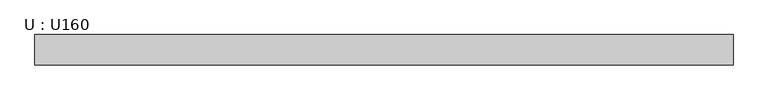
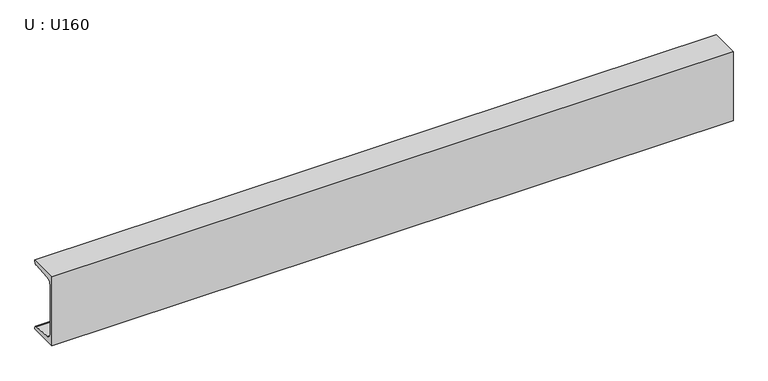
"""IFC4 building model written with IfcOpenShell, lengths in millimetres: beam geometry, U : U160."""

from ifc_helpers import new_model, si_unit, point, frame, frame_2d, origin, place, context, project, spatial, polyline, circle_curve, trimmed, segment, composite_curve, outline, extrude, source, transform, mapped, element, save


def u_u160_80fca57e(model_context):
    return source(origin(), model_context, "Body", "SweptSolid", [
        extrude(outline(composite_curve([segment(polyline([(-18.4, 80.0), (46.6, 80.0), (46.6, 77.1756821)]), True, "CONTINUOUS"), segment(trimmed(circle_curve(frame_2d((41.1, 77.1756821)), 5.5), [point((46.6, 77.1756821))], [point((41.5382235, 71.693168))], False, "CARTESIAN"), True, "CONTINUOUS"), segment(polyline([(41.5382235, 71.693168), (-1.2366085, 68.2741277)]), True, "CONTINUOUS"), segment(trimmed(circle_curve(frame_2d((-0.4, 57.8075099)), 10.5), [point((-1.2366085, 68.2741277))], [point((-10.9, 57.8075099))], True, "CARTESIAN"), True, "CONTINUOUS"), segment(polyline([(-10.9, 57.8075099), (-10.9, -57.8075099)]), True, "CONTINUOUS"), segment(trimmed(circle_curve(frame_2d((-0.4, -57.8075099)), 10.5), [point((-10.9, -57.8075099))], [point((-1.2366085, -68.2741277))], True, "CARTESIAN"), True, "CONTINUOUS"), segment(polyline([(-1.2366085, -68.2741277), (41.5382235, -71.693168)]), True, "CONTINUOUS"), segment(trimmed(circle_curve(frame_2d((41.1, -77.1756821)), 5.5), [point((41.5382235, -71.693168))], [point((46.6, -77.1756821))], False, "CARTESIAN"), True, "CONTINUOUS"), segment(polyline([(46.6, -77.1756821), (46.6, -80.0), (-18.4, -80.0), (-18.4, 80.0)]), True, "CONTINUOUS")], self_intersect=False)), frame((-745.0990762, 0.0, 0.0), z_axis=(1.0, 0.0, 0.0), x_axis=(0.0, 1.0, 0.0)), (0.0, 0.0, 1.0), 1497.9999939),
    ])


if __name__ == "__main__":
    model = new_model("IFC4")
    model_context = context("Model", 3, world=origin())
    ifc_project = project(units=[si_unit("LENGTHUNIT", "METRE", prefix="MILLI")], contexts=[model_context])
    site = spatial("IfcSite", under=ifc_project)
    building = spatial("IfcBuilding", under=site)
    placement = place(None, origin())
    u_u160_shape = u_u160_80fca57e(model_context)
    element("IfcBeam", 1, ObjectType="U : U160", at=placement, inside=building, context=model_context, shape_type="MappedRepresentation", body=[
        mapped(u_u160_shape, transform((0.0, 0.0, 0.0), x_axis=(1.0, 0.0, 0.0), y_axis=(0.0, 1.0, 0.0), z_axis=(0.0, 0.0, 1.0))),
    ])
    save(model, "model.ifc")
